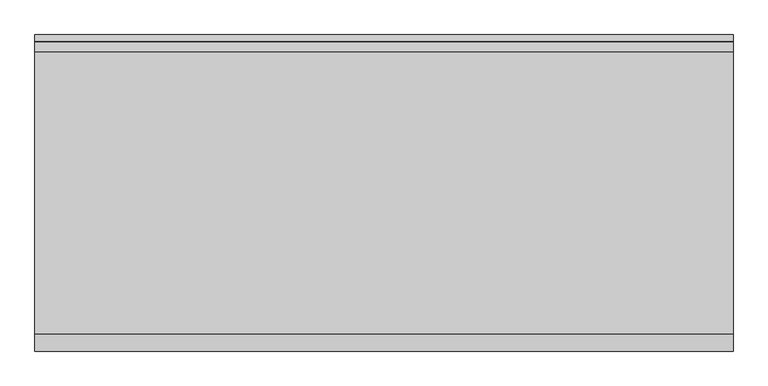
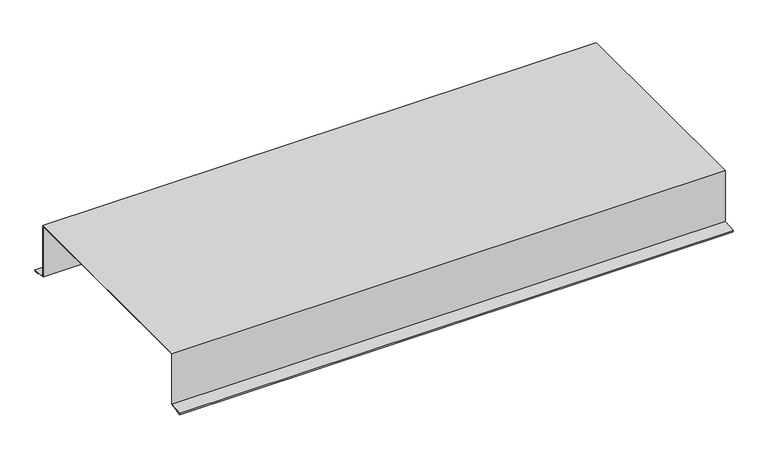
"""IFC4 building model written with IfcOpenShell, lengths in millimetres: proxy geometry."""

from ifc_helpers import new_model, si_unit, origin, place, context, project, spatial, faceted_brep, source, transform, mapped, element, save


def generic_models_40dbd7dd(model_context):
    return source(origin(), model_context, "Body", "Brep", [
        faceted_brep([(1005.0, 202.0, 0.0), (1005.0, 203.0, 0.0), (1005.0, 203.0, 3.0), (1005.0, -203.0, 3.0), (1005.0, -203.0, 0.0), (1005.0, -202.0, 0.0), (1005.0, -202.0, 2.0), (1005.0, 202.0, 2.0), (1005.0, 202.0, -94.9685813), (1005.0, 226.763997, -97.5713823), (1005.0, 226.6594686, -98.5659042), (1005.0, 217.7087715, -97.625148), (1005.0, 217.604243, -98.6196699), (1005.0, 227.549462, -99.6649546), (1005.0, 227.8630474, -96.6813889), (1005.0, 203.0, -94.0681773), (1005.0, -203.0, -94.0681773), (1005.0, -227.8630474, -96.6813889), (1005.0, -227.549462, -99.6649546), (1005.0, -217.604243, -98.6196699), (1005.0, -217.7087715, -97.625148), (1005.0, -226.6594686, -98.5659042), (1005.0, -226.763997, -97.5713823), (1005.0, -202.0, -94.9685813), (0.0, 203.0, 0.0), (0.0, 202.0, 0.0), (0.0, 202.0, 2.0), (0.0, -202.0, 2.0), (0.0, -202.0, 0.0), (0.0, -203.0, 0.0), (0.0, -203.0, 3.0), (0.0, 203.0, 3.0), (0.0, 203.0, -94.0681773), (0.0, 227.8630474, -96.6813889), (0.0, 227.549462, -99.6649546), (0.0, 217.604243, -98.6196699), (0.0, 217.7087715, -97.625148), (0.0, 226.6594686, -98.5659042), (0.0, 226.763997, -97.5713823), (0.0, 202.0, -94.9685813), (0.0, -202.0, -94.9685813), (0.0, -226.763997, -97.5713823), (0.0, -226.6594686, -98.5659042), (0.0, -217.7087715, -97.625148), (0.0, -217.604243, -98.6196699), (0.0, -227.549462, -99.6649546), (0.0, -227.8630474, -96.6813889), (0.0, -203.0, -94.0681773)], [[[0, 1, 2, 3, 4, 5, 6, 7]], [[1, 0, 8, 9, 10, 11, 12, 13, 14, 15]], [[5, 4, 16, 17, 18, 19, 20, 21, 22, 23]], [[24, 25, 26, 27, 28, 29, 30, 31]], [[25, 24, 32, 33, 34, 35, 36, 37, 38, 39]], [[29, 28, 40, 41, 42, 43, 44, 45, 46, 47]], [[17, 16, 47, 46]], [[4, 3, 30, 29, 47, 16]], [[3, 2, 31, 30]], [[2, 1, 15, 32, 24, 31]], [[15, 14, 33, 32]], [[14, 13, 34, 33]], [[13, 12, 35, 34]], [[12, 11, 36, 35]], [[11, 10, 37, 36]], [[10, 9, 38, 37]], [[9, 8, 39, 38]], [[0, 7, 26, 25, 39, 8]], [[7, 6, 27, 26]], [[6, 5, 23, 40, 28, 27]], [[23, 22, 41, 40]], [[22, 21, 42, 41]], [[21, 20, 43, 42]], [[20, 19, 44, 43]], [[19, 18, 45, 44]], [[18, 17, 46, 45]]]),
    ])


if __name__ == "__main__":
    model = new_model("IFC4")
    model_context = context("Model", 3, world=origin())
    ifc_project = project(units=[si_unit("LENGTHUNIT", "METRE", prefix="MILLI")], contexts=[model_context])
    site = spatial("IfcSite", under=ifc_project)
    building = spatial("IfcBuilding", under=site)
    placement = place(None, origin())
    generic_models_shape = generic_models_40dbd7dd(model_context)
    element("IfcBuildingElementProxy", 1, Name="Generic Models", at=placement, inside=building, context=model_context, shape_type="MappedRepresentation", body=[
        mapped(generic_models_shape, transform((0.0, 0.0, 0.0), x_axis=(1.0, 0.0, 0.0), y_axis=(0.0, 1.0, 0.0), z_axis=(0.0, 0.0, 1.0))),
    ])
    save(model, "model.ifc")
